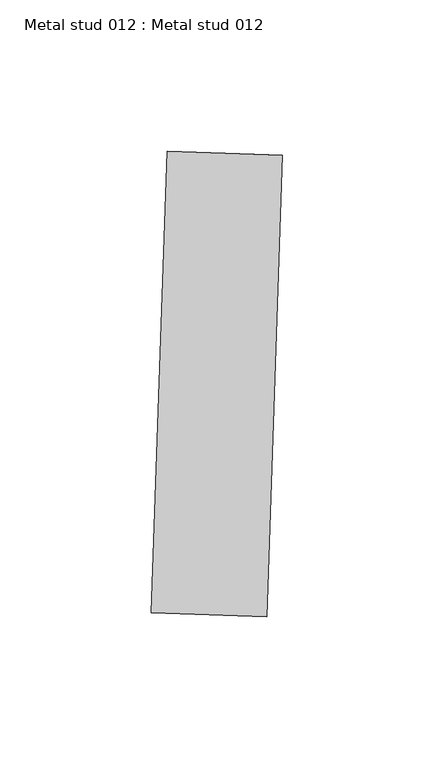
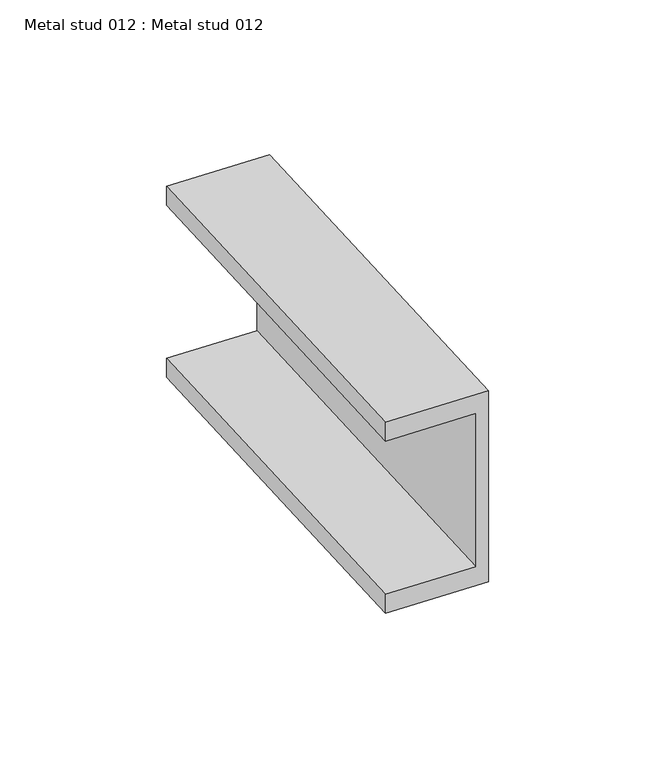
"""IFC4 building model written with IfcOpenShell, lengths in millimetres: proxy geometry, Metal stud 012 : Metal stud 012."""

from ifc_helpers import new_model, si_unit, frame, origin, place, context, project, spatial, polyline, outline, extrude, source, transform, mapped, element, save


def metal_stud_012_metal_stud_012_bc0e87ed(model_context):
    return source(origin(), model_context, "Body", "SweptSolid", [
        extrude(outline(polyline([(0.0, 0.0), (0.0, -76.2), (-38.1, -76.2), (-38.1, -68.7), (-4.4999999, -68.7), (-4.4999999, -7.5), (-38.1, -7.5), (-38.1, 0.0), (0.0, 0.0)])), frame((34092.3777319, -15062.9787712, 3009.9), z_axis=(0.034201781836546805, 0.9994149479166325, 0.0), x_axis=(0.9994149479166325, -0.034201781836546805, 0.0)), (0.0, 0.0, 1.0), 152.4),
    ])


if __name__ == "__main__":
    model = new_model("IFC4")
    model_context = context("Model", 3, world=origin())
    ifc_project = project(units=[si_unit("LENGTHUNIT", "METRE", prefix="MILLI")], contexts=[model_context])
    site = spatial("IfcSite", under=ifc_project)
    building = spatial("IfcBuilding", under=site)
    placement = place(None, origin())
    metal_stud_012_metal_stud_012_shape = metal_stud_012_metal_stud_012_bc0e87ed(model_context)
    element("IfcBuildingElementProxy", 1, Name="Metal stud 012 : Metal stud 012", ObjectType="Metal stud 012 : Metal stud 012", at=placement, inside=building, context=model_context, shape_type="MappedRepresentation", body=[
        mapped(metal_stud_012_metal_stud_012_shape, transform((0.0, 0.0, 0.0), x_axis=(1.0, 0.0, 0.0), y_axis=(0.0, 1.0, 0.0), z_axis=(0.0, 0.0, 1.0))),
    ])
    save(model, "model.ifc")
